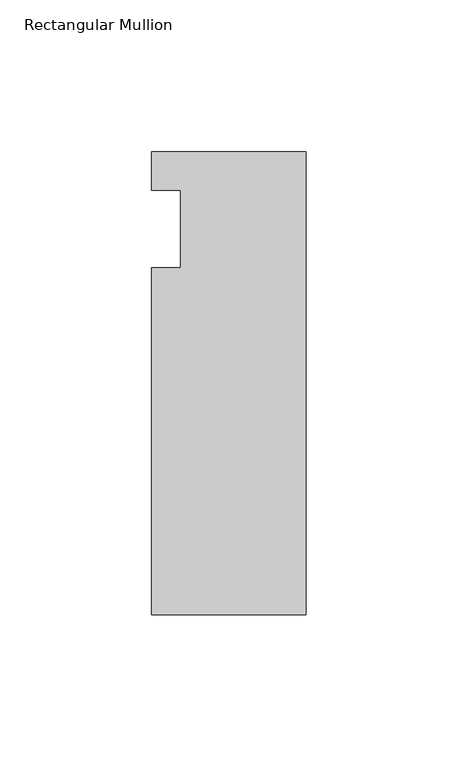
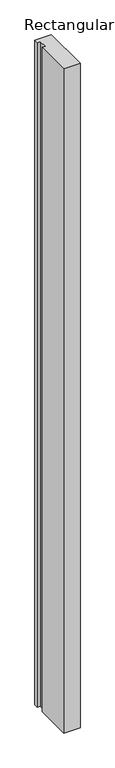
"""IFC4 building model written with IfcOpenShell, lengths in millimetres: member geometry, Rectangular Mullion."""

from ifc_helpers import new_model, si_unit, frame, origin, place, context, project, spatial, polyline, outline, extrude, source, transform, mapped, element, save


def rectangular_mullion_04216e8c(model_context):
    return source(origin(), model_context, "Body", "SweptSolid", [
        extrude(outline(polyline([(-25.4, -139.7), (-25.4, -25.4), (-15.875, -25.4), (-15.875, 0.0), (-25.4, 0.0), (-25.4, 12.7), (25.4, 12.7), (25.4, -139.7), (-25.4, -139.7)])), frame((0.0, 0.0, -2159.0), z_axis=(0.0, 0.0, 1.0), x_axis=(1.0, 0.0, 0.0)), (0.0, 0.0, 1.0), 2159.0),
    ])


if __name__ == "__main__":
    model = new_model("IFC4")
    model_context = context("Model", 3, world=origin())
    ifc_project = project(units=[si_unit("LENGTHUNIT", "METRE", prefix="MILLI")], contexts=[model_context])
    site = spatial("IfcSite", under=ifc_project)
    building = spatial("IfcBuilding", under=site)
    placement = place(None, origin())
    rectangular_mullion_shape = rectangular_mullion_04216e8c(model_context)
    element("IfcMember", 1, ObjectType="Rectangular Mullion", at=placement, inside=building, context=model_context, shape_type="MappedRepresentation", body=[
        mapped(rectangular_mullion_shape, transform((0.0, 0.0, 0.0), x_axis=(1.0, 0.0, 0.0), y_axis=(0.0, 1.0, 0.0), z_axis=(0.0, 0.0, 1.0))),
    ])
    save(model, "model.ifc")
